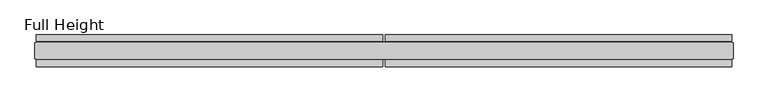
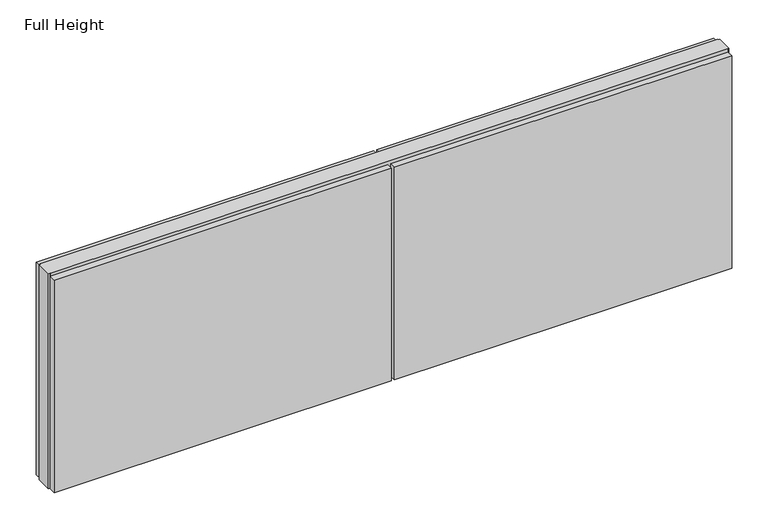
"""IFC4 building model written with IfcOpenShell, lengths in millimetres: plate geometry, Full Height."""

from ifc_helpers import new_model, si_unit, origin, origin_with_axes, place, context, project, spatial, polyline, outline, extrude, source, transform, mapped, element, save


def full_height_c8dca2c6(model_context):
    return source(origin(), model_context, "Body", "SweptSolid", [
        extrude(outline(polyline([(1087.628, 28.956), (4.572, 28.956), (4.572, 49.53), (1087.628, 49.53), (1087.628, 28.956)])), origin_with_axes(), (0.0, 0.0, 1.0), 720.852),
        extrude(outline(polyline([(-1087.628, 49.53), (-4.572, 49.53), (-4.572, 28.956), (-1087.628, 28.956), (-1087.628, 49.53)])), origin_with_axes(), (0.0, 0.0, 1.0), 720.852),
        extrude(outline(polyline([(1087.628, -28.956), (1087.628, -49.53), (4.572, -49.53), (4.572, -28.956), (1087.628, -28.956)])), origin_with_axes(), (0.0, 0.0, 1.0), 720.852),
        extrude(outline(polyline([(-1087.628, -49.53), (-1087.628, -28.956), (-4.572, -28.956), (-4.572, -49.53), (-1087.628, -49.53)])), origin_with_axes(), (0.0, 0.0, 1.0), 720.852),
        extrude(outline(polyline([(1087.628, -25.146), (1087.628, -26.67), (-1087.628, -26.67), (-1087.628, -25.146), (-1092.2, -25.146), (-1092.2, 25.146), (-1087.628, 25.146), (-1087.628, 26.67), (1087.628, 26.67), (1087.628, 25.146), (1092.2, 25.146), (1092.2, -25.146), (1087.628, -25.146)])), origin_with_axes(), (0.0, 0.0, 1.0), 729.996),
    ])


if __name__ == "__main__":
    model = new_model("IFC4")
    model_context = context("Model", 3, world=origin())
    ifc_project = project(units=[si_unit("LENGTHUNIT", "METRE", prefix="MILLI")], contexts=[model_context])
    site = spatial("IfcSite", under=ifc_project)
    building = spatial("IfcBuilding", under=site)
    placement = place(None, origin())
    full_height_shape = full_height_c8dca2c6(model_context)
    element("IfcPlate", 1, ObjectType="Full Height", at=placement, inside=building, context=model_context, shape_type="MappedRepresentation", body=[
        mapped(full_height_shape, transform((0.0, 0.0, 0.0), x_axis=(1.0, 0.0, 0.0), y_axis=(0.0, 1.0, 0.0), z_axis=(0.0, 0.0, 1.0))),
    ])
    save(model, "model.ifc")
